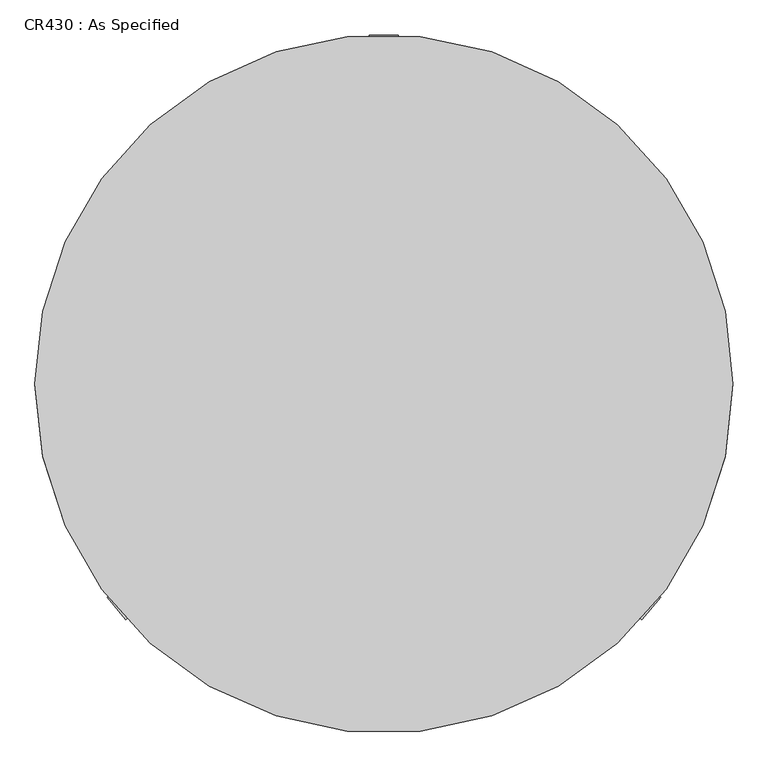
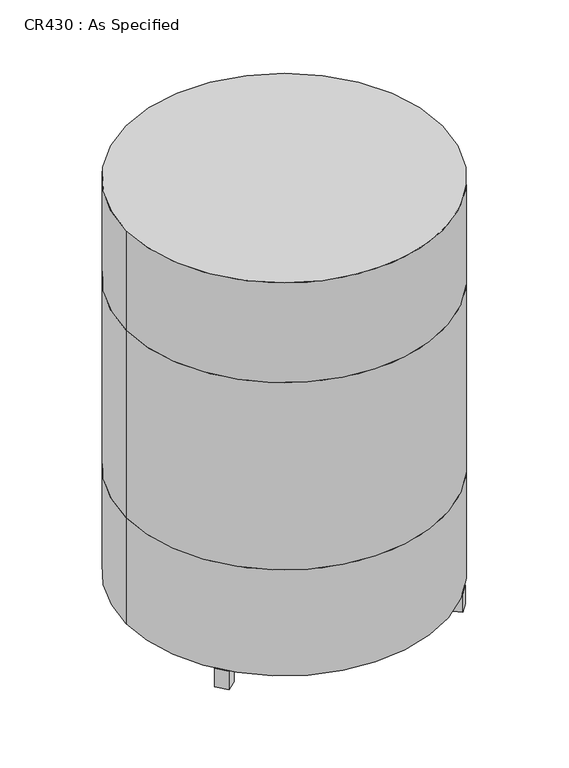
"""IFC4 building model written with IfcOpenShell, lengths in millimetres: proxy geometry, CR430 : As Specified."""

import ifcopenshell
import ifcopenshell.guid

model = None  # the IFC model being written
_history = None  # IfcOwnerHistory: only IFC2X3 demands one
_inside = {}  # id of a spatial element -> (the spatial element, [elements in it])
_under = {}  # id of a project, library or spatial element -> (it, [spatial elements below it])
_declared = {}  # id of a project -> (the project, [libraries it declares])
_typed = {}  # id of a type object -> (the type object, [elements of that type])
_made_of = {}  # id of a material, layer set ... -> (it, [elements and type objects made of it])


def new_model(schema):
    """Start an empty IFC model of exactly this schema.

    Asked for "IFC4X3", IfcOpenShell would pick the latest addendum, in which some entities
    have other attributes; the version numbers below select the first issue.
    IFC2X3 requires an IfcOwnerHistory on every rooted entity: one is made here for all.
    """
    global model, _history
    if schema == "IFC4X3":
        model = ifcopenshell.file(schema_version=(4, 3, 0, 0))
    else:
        model = ifcopenshell.file(schema=schema)
    _inside.clear()
    _under.clear()
    _declared.clear()
    _typed.clear()
    _made_of.clear()
    _history = None
    if model.schema == "IFC2X3":
        org = make("IfcOrganization", Name="unknown")
        user = make(
            "IfcPersonAndOrganization",
            ThePerson=make("IfcPerson", FamilyName="unknown"),
            TheOrganization=org,
        )
        app = make(
            "IfcApplication",
            ApplicationDeveloper=org,
            Version="unknown",
            ApplicationFullName="unknown",
            ApplicationIdentifier="unknown",
        )
        _history = make(
            "IfcOwnerHistory",
            OwningUser=user,
            OwningApplication=app,
            ChangeAction="ADDED",
            CreationDate=0,
        )
    return model


def make(cls, **values):
    """One entity of the class cls with the attributes given. An attribute that is None is left unset."""
    return model.create_entity(
        cls, **{name: value for name, value in values.items() if value is not None}
    )


def rooted(cls, **values):
    """An entity with a GlobalId (a new one), such as an element, a storey or a relation."""
    return make(cls, GlobalId=ifcopenshell.guid.new(), OwnerHistory=_history, **values)


def si_unit(unit_type, name, prefix=None):
    """IfcSIUnit, for example si_unit("LENGTHUNIT", "METRE", prefix="MILLI")."""
    return make("IfcSIUnit", UnitType=unit_type, Prefix=prefix, Name=name)


def assignment(units):
    """IfcUnitAssignment: the units of a project."""
    return None if units is None else make("IfcUnitAssignment", Units=units)


def point(xyz):
    """IfcCartesianPoint."""
    return None if xyz is None else make("IfcCartesianPoint", Coordinates=xyz)


def direction(xyz):
    """IfcDirection."""
    return None if xyz is None else make("IfcDirection", DirectionRatios=xyz)


def frame(location, z_axis=None, x_axis=None):
    """IfcAxis2Placement3D, a coordinate frame: its origin and axes. An axis left out is left unset."""
    return make(
        "IfcAxis2Placement3D",
        Location=point(location),
        Axis=direction(z_axis),
        RefDirection=direction(x_axis),
    )


def frame_2d(location, x_axis=None):
    """IfcAxis2Placement2D, a coordinate frame in the plane: its origin and x axis."""
    return make(
        "IfcAxis2Placement2D", Location=point(location), RefDirection=direction(x_axis)
    )


def origin():
    """The frame at (0, 0, 0) with its axes left unset."""
    return frame((0.0, 0.0, 0.0))


def origin_with_axes():
    """The frame at (0, 0, 0) with the z axis (0, 0, 1) and the x axis (1, 0, 0) written out."""
    return frame((0.0, 0.0, 0.0), z_axis=(0.0, 0.0, 1.0), x_axis=(1.0, 0.0, 0.0))


def origin_2d():
    """The frame at (0, 0) in the plane with its x axis left unset."""
    return frame_2d((0.0, 0.0))


def place(relative_to, where):
    """IfcLocalPlacement: puts the frame where relative to a parent placement (None: the world)."""
    return make(
        "IfcLocalPlacement", PlacementRelTo=relative_to, RelativePlacement=where
    )


def context(
    kind, dimensions, precision=None, world=None, true_north=None, identifier=None
):
    """IfcGeometricRepresentationContext, for example the 3D "Model" context."""
    return make(
        "IfcGeometricRepresentationContext",
        ContextIdentifier=identifier,
        ContextType=kind,
        CoordinateSpaceDimension=dimensions,
        Precision=precision,
        WorldCoordinateSystem=world,
        TrueNorth=true_north,
    )


def project(units=None, contexts=None):
    """IfcProject with its units and contexts."""
    return rooted(
        "IfcProject",
        Name="project",
        RepresentationContexts=contexts,
        UnitsInContext=assignment(units),
    )


def spatial(cls, under=None, at=None, **own):
    """A site, building, storey or space (cls), placed at a placement, below another one or the project."""
    s = rooted(cls, ObjectPlacement=at, **own)
    if under is not None:
        _under.setdefault(under.id(), (under, []))[1].append(s)
    return s


def polyline(points):
    """IfcPolyline through the points."""
    return make("IfcPolyline", Points=[point(p) for p in points])


def circle_curve(where, radius):
    """IfcCircle in the frame where."""
    return make("IfcCircle", Position=where, Radius=radius)


def trimmed(basis, trim1, trim2, sense, master):
    """IfcTrimmedCurve: the piece of a basis curve between two trims."""
    return make(
        "IfcTrimmedCurve",
        BasisCurve=basis,
        Trim1=trim1,
        Trim2=trim2,
        SenseAgreement=sense,
        MasterRepresentation=master,
    )


def segment(curve, same_sense, transition):
    """IfcCompositeCurveSegment."""
    return make(
        "IfcCompositeCurveSegment",
        Transition=transition,
        SameSense=same_sense,
        ParentCurve=curve,
    )


def composite_curve(segments, self_intersect=None):
    """IfcCompositeCurve: segments joined end to end."""
    return make("IfcCompositeCurve", Segments=segments, SelfIntersect=self_intersect)


def outline(outer, holes=None, kind="AREA"):
    """IfcArbitraryClosedProfileDef: a profile drawn as a closed curve; with holes, ...WithVoids."""
    if holes is None:
        return make("IfcArbitraryClosedProfileDef", ProfileType=kind, OuterCurve=outer)
    return make(
        "IfcArbitraryProfileDefWithVoids",
        ProfileType=kind,
        OuterCurve=outer,
        InnerCurves=holes,
    )


def extrude(swept, where, along, depth):
    """IfcExtrudedAreaSolid: the profile swept, set in the frame where, extruded along a direction by depth."""
    return make(
        "IfcExtrudedAreaSolid",
        SweptArea=swept,
        Position=where,
        ExtrudedDirection=direction(along),
        Depth=depth,
    )


def shape(context_of_items, identifier, shape_type, items):
    """IfcShapeRepresentation: the items that make up one representation, for example the "Body"."""
    return make(
        "IfcShapeRepresentation",
        ContextOfItems=context_of_items,
        RepresentationIdentifier=identifier,
        RepresentationType=shape_type,
        Items=items,
    )


def source(mapping_origin, context_of_items, identifier, shape_type, items):
    """IfcRepresentationMap: a shape defined once, which mapped items show again and again."""
    return make(
        "IfcRepresentationMap",
        MappingOrigin=mapping_origin,
        MappedRepresentation=shape(context_of_items, identifier, shape_type, items),
    )


def transform(
    local_origin,
    x_axis=None,
    y_axis=None,
    z_axis=None,
    scale=None,
    scale2=None,
    scale3=None,
    uniform=True,
):
    """IfcCartesianTransformationOperator3D, or its non-uniform kind. x_axis, y_axis, z_axis: its Axis1, 2, 3."""
    if uniform:
        return make(
            "IfcCartesianTransformationOperator3D",
            Axis1=direction(x_axis),
            Axis2=direction(y_axis),
            LocalOrigin=point(local_origin),
            Scale=scale,
            Axis3=direction(z_axis),
        )
    return make(
        "IfcCartesianTransformationOperator3DnonUniform",
        Axis1=direction(x_axis),
        Axis2=direction(y_axis),
        LocalOrigin=point(local_origin),
        Scale=scale,
        Axis3=direction(z_axis),
        Scale2=scale2,
        Scale3=scale3,
    )


def mapped(mapping_source, mapping_target):
    """IfcMappedItem: shows the shape of a source again, moved by a transform."""
    return make(
        "IfcMappedItem", MappingSource=mapping_source, MappingTarget=mapping_target
    )


def made_of(thing, what):
    """Note that an element or type object is made of a material, layer set ...; save() writes the relation."""
    if what is not None:
        _made_of.setdefault(what.id(), (what, []))[1].append(thing)
    return thing


def element(
    cls,
    number,
    at=None,
    inside=None,
    cuts=None,
    type_object=None,
    material=None,
    context=None,
    identifier="Body",
    shape_type=None,
    held_by="IfcProductDefinitionShape",
    body=None,
    shapes=None,
    **own,
):
    """One element of the class cls, such as IfcWall. Its Tag is "e" and its number.

    at: its placement. inside: the storey or other place that contains it. cuts: it is an
    opening in that element (IfcRelVoidsElement). A single representation is given by context,
    identifier, shape_type and body (its items); several are given by shapes. held_by: the class
    of the entity that holds the representations. save() writes the other relations.
    """
    e = rooted(cls, Tag="e%d" % number, ObjectPlacement=at, **own)
    if body is not None:
        shapes = [shape(context, identifier, shape_type, body)]
    if shapes is not None:
        e.Representation = make(held_by, Representations=shapes)
    if inside is not None:
        _inside.setdefault(inside.id(), (inside, []))[1].append(e)
    if cuts is not None:
        rooted(
            "IfcRelVoidsElement", RelatingBuildingElement=cuts, RelatedOpeningElement=e
        )
    if type_object is not None:
        _typed.setdefault(type_object.id(), (type_object, []))[1].append(e)
    return made_of(e, material)


def aggregate(whole, parts):
    """IfcRelAggregates: a whole, such as a stair, and the parts it consists of."""
    return rooted("IfcRelAggregates", RelatingObject=whole, RelatedObjects=parts)


def save(model, path):
    """Write the relations noted so far, then the file.

    IfcRelAggregates (storeys below a building ...), IfcRelContainedInSpatialStructure (elements
    in a storey), IfcRelDefinesByType, IfcRelAssociatesMaterial and IfcRelDeclares: one each for
    every whole, place, type object, material and project.
    """
    for whole, parts in _under.values():
        aggregate(whole, parts)
    for where, things in _inside.values():
        rooted(
            "IfcRelContainedInSpatialStructure",
            RelatedElements=things,
            RelatingStructure=where,
        )
    for kind, things in _typed.values():
        rooted("IfcRelDefinesByType", RelatedObjects=things, RelatingType=kind)
    for what, things in _made_of.values():
        rooted("IfcRelAssociatesMaterial", RelatedObjects=things, RelatingMaterial=what)
    for by, libraries in _declared.values():
        rooted("IfcRelDeclares", RelatingContext=by, RelatedDefinitions=libraries)
    model.write(path)


def cr430_as_specified_25aaf1a5(model_context):
    return source(origin(), model_context, "Body", "SweptSolid", [
        extrude(outline(polyline([(-76.2, 431.8), (-76.2, 381.0), (-127.0, 381.0), (-127.0, 431.8), (-76.2, 431.8)])), frame((0.0, 0.0, 50.8), z_axis=(0.0, 0.0, 1.0), x_axis=(1.0, 0.0, 0.0)), (0.0, 0.0, 1.0), 25.4),
        extrude(outline(polyline([(76.2, 431.8), (127.0, 431.8), (127.0, 381.0), (76.2, 381.0), (76.2, 431.8)])), frame((0.0, 0.0, 50.8), z_axis=(0.0, 0.0, 1.0), x_axis=(1.0, 0.0, 0.0)), (0.0, 0.0, 1.0), 25.4),
        extrude(outline(polyline([(25.4, 609.6), (25.4, 558.8), (-25.4, 558.8), (-25.4, 609.6), (25.4, 609.6)])), origin_with_axes(), (0.0, 0.0, 1.0), 76.2),
        extrude(outline(polyline([(483.3074978, -372.385798), (450.6538872, -411.3008557), (411.7388295, -378.6472451), (444.3924401, -339.7321874), (483.3074978, -372.385798)])), origin_with_axes(), (0.0, 0.0, 1.0), 76.2),
        extrude(outline(polyline([(-483.3074978, -372.385798), (-444.3924401, -339.7321874), (-411.7388295, -378.6472451), (-450.6538872, -411.3008557), (-483.3074978, -372.385798)])), origin_with_axes(), (0.0, 0.0, 1.0), 76.2),
        extrude(outline(composite_curve([segment(trimmed(circle_curve(origin_2d(), 609.6), [point((609.6, 0.0))], [point((-609.6, 0.0))], False, "CARTESIAN"), True, "CONTINUOUS"), segment(trimmed(circle_curve(origin_2d(), 609.6), [point((-609.6, 0.0))], [point((609.6, 0.0))], False, "CARTESIAN"), True, "CONTINUOUS")], self_intersect=False)), frame((0.0, 0.0, 508.0), z_axis=(0.0, 0.0, 1.0), x_axis=(1.0, 0.0, 0.0)), (0.0, 0.0, 1.0), 762.0),
        extrude(outline(composite_curve([segment(trimmed(circle_curve(origin_2d(), 609.6), [point((609.6, 0.0))], [point((-609.6, 0.0))], False, "CARTESIAN"), True, "CONTINUOUS"), segment(trimmed(circle_curve(origin_2d(), 609.6), [point((-609.6, 0.0))], [point((609.6, 0.0))], False, "CARTESIAN"), True, "CONTINUOUS")], self_intersect=False)), frame((0.0, 0.0, 1270.0), z_axis=(0.0, 0.0, 1.0), x_axis=(1.0, 0.0, 0.0)), (0.0, 0.0, 1.0), 406.4),
        extrude(outline(composite_curve([segment(trimmed(circle_curve(origin_2d(), 609.6), [point((609.6, 0.0))], [point((-609.6, 0.0))], False, "CARTESIAN"), True, "CONTINUOUS"), segment(trimmed(circle_curve(origin_2d(), 609.6), [point((-609.6, 0.0))], [point((609.6, 0.0))], False, "CARTESIAN"), True, "CONTINUOUS")], self_intersect=False)), frame((0.0, 0.0, 76.2), z_axis=(0.0, 0.0, 1.0), x_axis=(1.0, 0.0, 0.0)), (0.0, 0.0, 1.0), 431.8),
    ])


if __name__ == "__main__":
    model = new_model("IFC4")
    model_context = context("Model", 3, world=origin())
    ifc_project = project(units=[si_unit("LENGTHUNIT", "METRE", prefix="MILLI")], contexts=[model_context])
    site = spatial("IfcSite", under=ifc_project)
    building = spatial("IfcBuilding", under=site)
    placement = place(None, origin())
    cr430_as_specified_shape = cr430_as_specified_25aaf1a5(model_context)
    element("IfcBuildingElementProxy", 1, Name="CR430 : As Specified", ObjectType="CR430 : As Specified", at=placement, inside=building, context=model_context, shape_type="MappedRepresentation", body=[
        mapped(cr430_as_specified_shape, transform((0.0, 0.0, 0.0), x_axis=(1.0, 0.0, 0.0), y_axis=(0.0, 1.0, 0.0), z_axis=(0.0, 0.0, 1.0))),
    ])
    save(model, "model.ifc")
